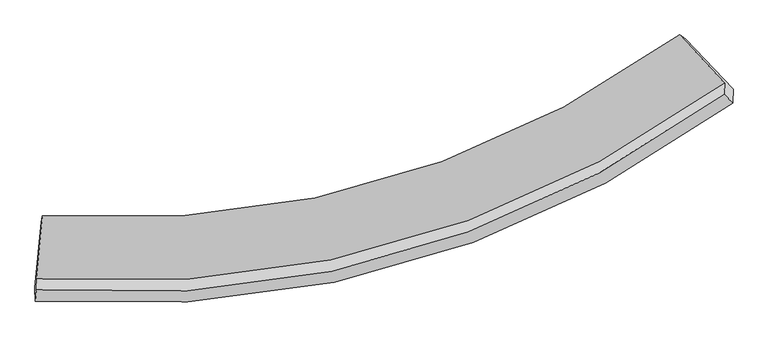
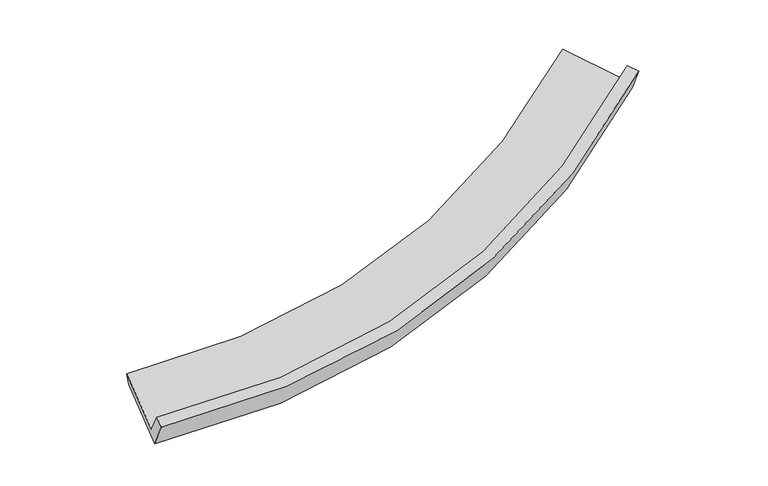
"""IFC4 building model written with IfcOpenShell, lengths in millimetres: proxy geometry."""

from ifc_helpers import new_model, si_unit, frame, origin, place, context, project, spatial, source, transform, mapped, element, save
from ifc_brep_helpers import plane_surface, spline_curve, spline_surface, advanced_brep


def generic_models_0e841eb1(model_context):
    return source(origin(), model_context, "Body", "AdvancedBrep", [
        advanced_brep(
        [(-7335.7659173, -3536.304079, 906.8656419), (-7332.0365802, -3791.3231834, 1416.2807545), (8254.5065012, 658.3409825, 3555.1313226), (8264.8222004, 906.9722392, 3020.3167063), (-7195.4231259, -2107.3718048, 1621.178261), (7247.415787, 2000.3983643, 3575.1467371), (-7216.1097289, -2245.7176696, 1394.9001613), (7391.3960701, 1903.2536045, 3379.2787529), (-7364.5234445, -3743.9188488, 617.9033834), (8459.0643984, 768.8509657, 2770.4674054), (-7357.5135189, -4050.7224695, 1286.6089801), (8448.2232022, 450.1499401, 3449.4903105)],
        [
            (0, 1),
            (1, 2, spline_curve(3, [(-7332.0365802, -3791.3231834, 1416.2807545), (-5007.812436598, -3956.017312406, 1333.615850639), (-2777.441346996, -3814.173794937, 1399.705236613), (2531.094210344, -2700.095979566, 1933.52020135), (5496.237482445, -1358.718108093, 2580.381004163), (8254.5065012, 658.3409825, 3555.1313226)], [4, 2, 4], [0.0, 22.018253324508336, 54.70802437089969])),
            (2, 3),
            (3, 0, spline_curve(3, [(8264.8222004, 906.9722392, 3020.3167063), (5498.96462505, -1099.202456509, 2044.144576782), (2529.095634209, -2435.439455361, 1399.734452813), (-2782.557554727, -3550.525835044, 876.501639347), (-5012.884603115, -3695.380942778, 816.428075166), (-7335.7659173, -3536.304079, 906.8656419)], [4, 2, 4], [0.0, 32.68977104639136, 54.70802437089969])),
            (4, 0),
            (3, 5),
            (5, 4, spline_curve(3, [(7247.415787, 2000.3983643, 3575.1467371), (4683.147770119, 149.935700619, 2684.873677991), (1932.201336314, -1083.701970548, 2094.015983482), (-2984.065948618, -2115.969926483, 1606.272158072), (-5047.39915206, -2251.588977544, 1545.807026184), (-7195.4231259, -2107.3718048, 1621.178261)], [4, 2, 4], [0.0, 31.474084260089164, 52.673509591398265])),
            (6, 4),
            (5, 7),
            (7, 6, spline_curve(3, [(7391.3960701, 1903.2536045, 3379.2787529), (4801.529240057, 20.142798723, 2464.935298922), (2020.68232002, -1231.538255068, 1860.770781188), (-2952.824052687, -2269.560923257, 1368.770691031), (-5041.145731036, -2400.87029392, 1311.475677807), (-7216.1097289, -2245.7176696, 1394.9001613)], [4, 2, 4], [0.0, 30.43383042634185, 50.932590941102234])),
            (8, 6),
            (7, 9),
            (9, 8, spline_curve(3, [(8459.0643984, 768.8509657, 2770.4674054), (5654.798906055, -1268.608417814, 1785.937230026), (2642.931705359, -2625.707260409, 1133.508241614), (-2745.016202955, -3758.26384733, 597.423080692), (-5007.678283274, -3905.421609526, 532.330728432), (-7364.5234445, -3743.9188488, 617.9033834)], [4, 2, 4], [0.0, 31.889856828877075, 53.36932651204052])),
            (10, 8),
            (9, 11),
            (11, 10, spline_curve(3, [(8448.2232022, 450.1499401, 3449.4903105), (5646.882373411, -1584.143258338, 2466.427718888), (2638.316802535, -2938.551846773, 1813.361474849), (-2743.474784036, -4067.402646387, 1272.687278424), (-5003.48812064, -4213.28486183, 1204.793078416), (-7357.5135189, -4050.7224695, 1286.6089801)], [4, 2, 4], [0.0, 33.146398739974636, 55.47221445817592])),
            (1, 10),
            (11, 2),
        ],
        [
            spline_surface(3, 3, [[(-7335.7659173, -3536.304079, 906.8656419), (-5012.884603162, -3695.38094249, 816.428075287), (-2782.557554806, -3550.525835263, 876.50163954), (2529.095634327, -2435.439455037, 1399.734452526), (5498.964625216, -1099.202456222, 2044.144576451), (8264.8222004, 906.9722392, 3020.3167063)], [(-7334.52280493, -3621.310447117, 1076.670679405), (-5011.193880935, -3782.259732365, 988.824000329), (-2780.852152325, -3638.408488563, 1050.902838664), (2529.761826507, -2523.658296425, 1577.663035363), (5498.055577561, -1185.707673333, 2222.890052295), (8261.383634027, 824.095153637, 3198.588245072)], [(-7333.27969257, -3706.316815283, 1246.475716995), (-5009.503158716, -3869.138522288, 1161.219925457), (-2779.146749836, -3726.291141874, 1225.304037736), (2530.428018695, -2611.877137824, 1755.591618146), (5497.146529827, -1272.212890454, 2401.635528121), (8257.945067573, 741.218068063, 3376.859783828)], [(-7332.0365802, -3791.3231834, 1416.2807545), (-5007.812436489, -3956.017312162, 1333.6158505), (-2777.441347354, -3814.173795175, 1399.705236861), (2531.094210875, -2700.095979212, 1933.520200983), (5496.237482172, -1358.718107565, 2580.381003965), (8254.5065012, 658.3409825, 3555.1313226)]], [4, 4], [4, 2, 4], [0.0, 1.9432147943907114], [0.0, 22.018253324508336, 54.70802437089969]),
            spline_surface(3, 3, [[(-7195.4231259, -2107.3718048, 1621.178261), (-5047.399152391, -2251.588977538, 1545.807026503), (-2984.065948675, -2115.969926176, 1606.272157953), (1932.201336398, -1083.701971004, 2094.015983658), (4683.147770341, 149.935700697, 2684.873677531), (7247.415787, 2000.3983643, 3575.1467371)], [(-7242.204056376, -2583.68256289, 1383.074054664), (-5035.894302658, -2732.852965879, 1302.680709461), (-2916.896484048, -2594.155229228, 1363.015318461), (2131.166102378, -1534.281132371, 1862.588806594), (4955.086721964, -266.44368494, 2471.29731049), (7586.551258131, 1635.92298927, 3390.203393486)], [(-7288.984986824, -3059.99332091, 1144.969848236), (-5024.389452896, -3214.116954149, 1059.554392328), (-2849.727019433, -3072.34053221, 1119.758479031), (2330.130868347, -1984.860293669, 1631.161629591), (5227.025673593, -682.823070586, 2257.720943491), (7925.686729269, 1271.44761423, 3205.260049914)], [(-7335.7659173, -3536.304079, 906.8656419), (-5012.884603162, -3695.38094249, 816.428075287), (-2782.557554806, -3550.525835263, 876.50163954), (2529.095634327, -2435.439455037, 1399.734452526), (5498.964625216, -1099.202456222, 2044.144576451), (8264.8222004, 906.9722392, 3020.3167063)]], [4, 4], [4, 2, 4], [0.0, 5.293789952733717], [0.0, 21.1994253313091, 52.673509591398265]),
            spline_surface(3, 3, [[(-7216.1097289, -2245.7176696, 1394.9001613), (-5041.145731237, -2400.870293649, 1311.475677742), (-2952.824052432, -2269.560922924, 1368.770690842), (2020.682319641, -1231.538255562, 1860.770781469), (4801.529240496, 20.14279837, 2464.935298867), (7391.3960701, 1903.2536045, 3379.2787529)], [(-7209.21419456, -2199.602381319, 1470.326194526), (-5043.230204948, -2351.109854931, 1389.586127322), (-2963.238017862, -2218.363923995, 1447.937846546), (1991.188658545, -1182.25949403, 1938.519182199), (4762.068750435, 63.407099124, 2538.248091752), (7343.40264239, 1935.635191078, 3444.568080963)], [(-7202.31866024, -2153.487093081, 1545.752227774), (-5045.31467868, -2301.349416257, 1467.696576923), (-2973.651983245, -2167.166925105, 1527.105002249), (1961.694997494, -1132.980732536, 2016.267582928), (4722.608260402, 106.671399943, 2611.560884646), (7295.40921471, 1968.016777722, 3509.857409037)], [(-7195.4231259, -2107.3718048, 1621.178261), (-5047.399152391, -2251.588977538, 1545.807026503), (-2984.065948675, -2115.969926176, 1606.272157953), (1932.201336398, -1083.701971004, 2094.015983658), (4683.147770341, 149.935700697, 2684.873677531), (7247.415787, 2000.3983643, 3575.1467371)]], [4, 4], [4, 2, 4], [0.0, 0.9373867918515332], [0.0, 20.498760514760384, 50.932590941102234]),
            spline_surface(3, 3, [[(-7364.5234445, -3743.9188488, 617.9033834), (-5007.678283236, -3905.421609694, 532.33072812), (-2745.016202929, -3758.263847606, 597.423080382), (2642.931705319, -2625.707259999, 1133.508242074), (5654.798906017, -1268.608417308, 1785.937230523), (8459.0643984, 768.8509657, 2770.4674054)], [(-7315.052205985, -3244.518455729, 876.902309348), (-5018.834099255, -3403.904504342, 792.045711309), (-2814.285486097, -3262.029539376, 854.538950548), (2435.515243426, -2160.984258517, 1375.929088552), (5370.37568418, -839.02467875, 2012.269919992), (8103.174955637, 1146.985178632, 2973.404521255)], [(-7265.580967415, -2745.118062671, 1135.901235352), (-5029.989915218, -2902.387399002, 1051.760694554), (-2883.554769264, -2765.795231154, 1111.654820676), (2228.098781535, -1696.261257044, 1618.349934991), (5085.952462332, -409.440940188, 2238.602609398), (7747.285512863, 1525.119391568, 3176.341637045)], [(-7216.1097289, -2245.7176696, 1394.9001613), (-5041.145731237, -2400.870293649, 1311.475677742), (-2952.824052432, -2269.560922924, 1368.770690842), (2020.682319641, -1231.538255562, 1860.770781469), (4801.529240496, 20.14279837, 2464.935298867), (7391.3960701, 1903.2536045, 3379.2787529)]], [4, 4], [4, 2, 4], [0.0, 5.494233232020023], [0.0, 21.479469683163448, 53.36932651204052]),
            spline_surface(3, 3, [[(-7357.5135189, -4050.7224695, 1286.6089801), (-5003.488120633, -4213.284861523, 1204.793078532), (-2743.474784264, -4067.402646334, 1272.687278421), (2638.316802874, -2938.55184685, 1813.361474853), (5646.882373526, -1584.14325884, 2466.427718422), (8448.2232022, 450.1499401, 3449.4903105)], [(-7359.850160761, -3948.454595946, 1063.707114538), (-5004.884841495, -4110.663777594, 980.638961733), (-2743.988590466, -3964.356380088, 1047.599212393), (2639.855103709, -2834.270317896, 1586.743730578), (5649.52121767, -1478.964978315, 2239.597555767), (8451.836934247, 556.383615314, 3223.149342111)], [(-7362.186802639, -3846.186722354, 840.805248962), (-5006.281562374, -4008.042693624, 756.484844919), (-2744.502396727, -3861.310113853, 822.51114641), (2641.393404485, -2729.988788953, 1360.125986349), (5652.160061873, -1373.786697833, 2012.767393178), (8455.450666353, 662.617290486, 2996.808373789)], [(-7364.5234445, -3743.9188488, 617.9033834), (-5007.678283236, -3905.421609694, 532.33072812), (-2745.016202929, -3758.263847606, 597.423080382), (2642.931705319, -2625.707259999, 1133.508242074), (5654.798906017, -1268.608417308, 1785.937230523), (8459.0643984, 768.8509657, 2770.4674054)]], [4, 4], [4, 2, 4], [0.0, 2.4491605252282627], [0.0, 22.325815718201284, 55.47221445817592]),
            spline_surface(3, 3, [[(-7332.0365802, -3791.3231834, 1416.2807545), (-5007.812436489, -3956.017312162, 1333.6158505), (-2777.441347354, -3814.173795175, 1399.705236861), (2531.094210875, -2700.095979212, 1933.520200983), (5496.237482172, -1358.718107565, 2580.381003965), (8254.5065012, 658.3409825, 3555.1313226)], [(-7340.528893088, -3877.789612099, 1373.056829719), (-5006.370997858, -4041.773161948, 1290.67492653), (-2766.119159662, -3898.583412228, 1357.365917386), (2566.83507487, -2779.581268425, 1893.467292278), (5546.452445957, -1433.859824654, 2542.396575462), (8319.078734867, 588.943968369, 3519.917651912)], [(-7349.021206012, -3964.256040801, 1329.832904881), (-5004.929559264, -4127.529011738, 1247.734002502), (-2754.796971956, -3982.993029282, 1315.026597896), (2602.575938879, -2859.066557638, 1853.414383558), (5596.667409741, -1509.00154175, 2504.412146924), (8383.650968533, 519.546954231, 3484.703981188)], [(-7357.5135189, -4050.7224695, 1286.6089801), (-5003.488120633, -4213.284861523, 1204.793078532), (-2743.474784264, -4067.402646334, 1272.687278421), (2638.316802874, -2938.55184685, 1813.361474853), (5646.882373526, -1584.14325884, 2466.427718422), (8448.2232022, 450.1499401, 3449.4903105)]], [4, 4], [4, 2, 4], [0.0, 0.9335781284261406], [0.0, 22.16394691224856, 55.07002440020737]),
            plane_surface(frame((8010.9046932, 1114.6610161, 3291.6385391), z_axis=(0.7695425327448966, 0.5732748284728206, 0.2813543341340737), x_axis=(-0.638346173920205, 0.678245823140349, 0.364001051693681))),
            plane_surface(frame((-7300.2287193, -3245.8930092, 1207.2895304), z_axis=(-0.9961418663502133, 0.07533738244456559, 0.04500734285330703), x_axis=(-0.006546199319138568, 0.4476414543069843, -0.8941891721891975))),
        ],
        [
            (0, [[1, 2, 3, 4]]),
            (1, [[5, -4, 6, 7]]),
            (2, [[8, -7, 9, 10]]),
            (3, [[11, -10, 12, 13]]),
            (4, [[14, -13, 15, 16]]),
            (5, [[17, -16, 18, -2]]),
            (6, [[-12, -9, -6, -3, -18, -15]]),
            (7, [[-1, -5, -8, -11, -14, -17]]),
        ],
    ),
    ])


if __name__ == "__main__":
    model = new_model("IFC4")
    model_context = context("Model", 3, world=origin())
    ifc_project = project(units=[si_unit("LENGTHUNIT", "METRE", prefix="MILLI")], contexts=[model_context])
    site = spatial("IfcSite", under=ifc_project)
    building = spatial("IfcBuilding", under=site)
    placement = place(None, origin())
    generic_models_shape = generic_models_0e841eb1(model_context)
    element("IfcBuildingElementProxy", 1, Name="Generic Models", at=placement, inside=building, context=model_context, shape_type="MappedRepresentation", body=[
        mapped(generic_models_shape, transform((0.0, 0.0, 0.0), x_axis=(1.0, 0.0, 0.0), y_axis=(0.0, 1.0, 0.0), z_axis=(0.0, 0.0, 1.0))),
    ])
    save(model, "model.ifc")
